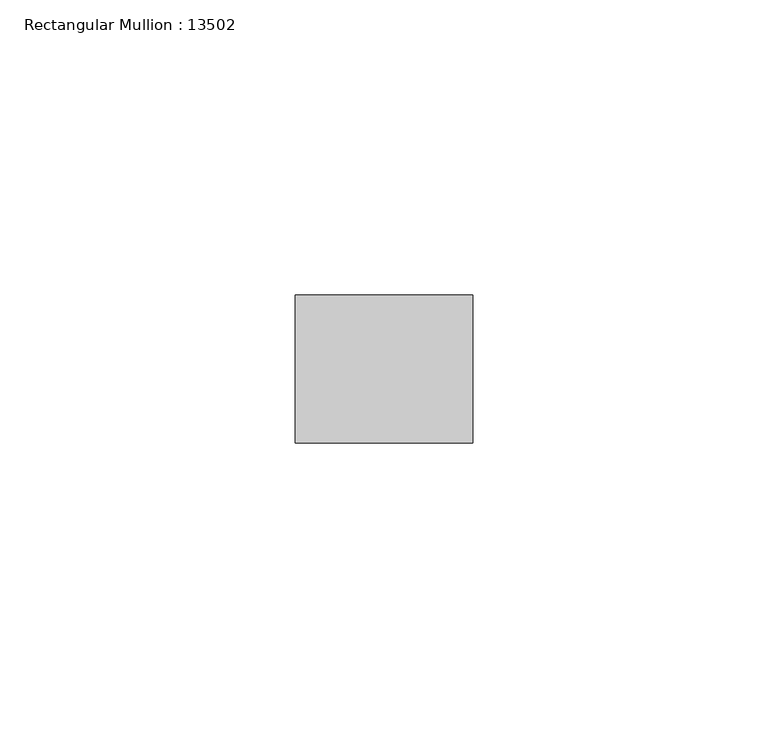
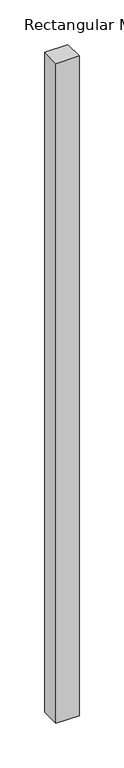
"""IFC4 building model written with IfcOpenShell, lengths in millimetres: member geometry, Rectangular Mullion : 13502."""

from ifc_helpers import new_model, si_unit, frame, origin, place, context, project, spatial, polyline, outline, extrude, source, transform, mapped, element, save


def rectangular_mullion_13502_d4c8a511(model_context):
    return source(origin(), model_context, "Body", "SweptSolid", [
        extrude(outline(polyline([(-29.9999993, -12.5), (-29.9999993, 12.5), (0.0, 12.5), (0.0, -12.5), (-29.9999993, -12.5)])), frame((0.0, 0.0, -900.0), z_axis=(0.0, 0.0, 1.0), x_axis=(1.0, 0.0, 0.0)), (0.0, 0.0, 1.0), 900.0),
    ])


if __name__ == "__main__":
    model = new_model("IFC4")
    model_context = context("Model", 3, world=origin())
    ifc_project = project(units=[si_unit("LENGTHUNIT", "METRE", prefix="MILLI")], contexts=[model_context])
    site = spatial("IfcSite", under=ifc_project)
    building = spatial("IfcBuilding", under=site)
    placement = place(None, origin())
    rectangular_mullion_13502_shape = rectangular_mullion_13502_d4c8a511(model_context)
    element("IfcMember", 1, ObjectType="Rectangular Mullion : 13502", at=placement, inside=building, context=model_context, shape_type="MappedRepresentation", body=[
        mapped(rectangular_mullion_13502_shape, transform((0.0, 0.0, 0.0), x_axis=(1.0, 0.0, 0.0), y_axis=(0.0, 1.0, 0.0), z_axis=(0.0, 0.0, 1.0))),
    ])
    save(model, "model.ifc")
